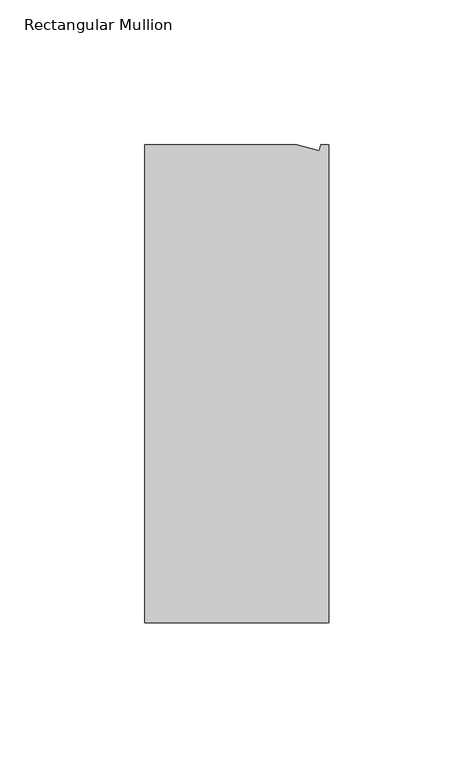
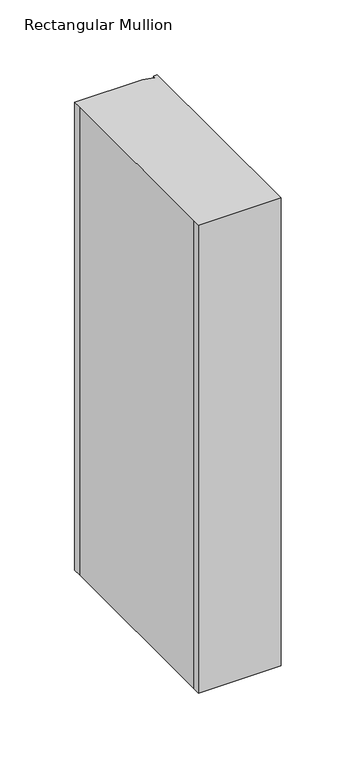
"""IFC4 building model written with IfcOpenShell, lengths in millimetres: member geometry, Rectangular Mullion."""

import ifcopenshell
import ifcopenshell.guid

model = None  # the IFC model being written
_history = None  # IfcOwnerHistory: only IFC2X3 demands one
_inside = {}  # id of a spatial element -> (the spatial element, [elements in it])
_under = {}  # id of a project, library or spatial element -> (it, [spatial elements below it])
_declared = {}  # id of a project -> (the project, [libraries it declares])
_typed = {}  # id of a type object -> (the type object, [elements of that type])
_made_of = {}  # id of a material, layer set ... -> (it, [elements and type objects made of it])


def new_model(schema):
    """Start an empty IFC model of exactly this schema.

    Asked for "IFC4X3", IfcOpenShell would pick the latest addendum, in which some entities
    have other attributes; the version numbers below select the first issue.
    IFC2X3 requires an IfcOwnerHistory on every rooted entity: one is made here for all.
    """
    global model, _history
    if schema == "IFC4X3":
        model = ifcopenshell.file(schema_version=(4, 3, 0, 0))
    else:
        model = ifcopenshell.file(schema=schema)
    _inside.clear()
    _under.clear()
    _declared.clear()
    _typed.clear()
    _made_of.clear()
    _history = None
    if model.schema == "IFC2X3":
        org = make("IfcOrganization", Name="unknown")
        user = make(
            "IfcPersonAndOrganization",
            ThePerson=make("IfcPerson", FamilyName="unknown"),
            TheOrganization=org,
        )
        app = make(
            "IfcApplication",
            ApplicationDeveloper=org,
            Version="unknown",
            ApplicationFullName="unknown",
            ApplicationIdentifier="unknown",
        )
        _history = make(
            "IfcOwnerHistory",
            OwningUser=user,
            OwningApplication=app,
            ChangeAction="ADDED",
            CreationDate=0,
        )
    return model


def make(cls, **values):
    """One entity of the class cls with the attributes given. An attribute that is None is left unset."""
    return model.create_entity(
        cls, **{name: value for name, value in values.items() if value is not None}
    )


def rooted(cls, **values):
    """An entity with a GlobalId (a new one), such as an element, a storey or a relation."""
    return make(cls, GlobalId=ifcopenshell.guid.new(), OwnerHistory=_history, **values)


def si_unit(unit_type, name, prefix=None):
    """IfcSIUnit, for example si_unit("LENGTHUNIT", "METRE", prefix="MILLI")."""
    return make("IfcSIUnit", UnitType=unit_type, Prefix=prefix, Name=name)


def assignment(units):
    """IfcUnitAssignment: the units of a project."""
    return None if units is None else make("IfcUnitAssignment", Units=units)


def point(xyz):
    """IfcCartesianPoint."""
    return None if xyz is None else make("IfcCartesianPoint", Coordinates=xyz)


def direction(xyz):
    """IfcDirection."""
    return None if xyz is None else make("IfcDirection", DirectionRatios=xyz)


def frame(location, z_axis=None, x_axis=None):
    """IfcAxis2Placement3D, a coordinate frame: its origin and axes. An axis left out is left unset."""
    return make(
        "IfcAxis2Placement3D",
        Location=point(location),
        Axis=direction(z_axis),
        RefDirection=direction(x_axis),
    )


def origin():
    """The frame at (0, 0, 0) with its axes left unset."""
    return frame((0.0, 0.0, 0.0))


def place(relative_to, where):
    """IfcLocalPlacement: puts the frame where relative to a parent placement (None: the world)."""
    return make(
        "IfcLocalPlacement", PlacementRelTo=relative_to, RelativePlacement=where
    )


def context(
    kind, dimensions, precision=None, world=None, true_north=None, identifier=None
):
    """IfcGeometricRepresentationContext, for example the 3D "Model" context."""
    return make(
        "IfcGeometricRepresentationContext",
        ContextIdentifier=identifier,
        ContextType=kind,
        CoordinateSpaceDimension=dimensions,
        Precision=precision,
        WorldCoordinateSystem=world,
        TrueNorth=true_north,
    )


def project(units=None, contexts=None):
    """IfcProject with its units and contexts."""
    return rooted(
        "IfcProject",
        Name="project",
        RepresentationContexts=contexts,
        UnitsInContext=assignment(units),
    )


def spatial(cls, under=None, at=None, **own):
    """A site, building, storey or space (cls), placed at a placement, below another one or the project."""
    s = rooted(cls, ObjectPlacement=at, **own)
    if under is not None:
        _under.setdefault(under.id(), (under, []))[1].append(s)
    return s


def polyline(points):
    """IfcPolyline through the points."""
    return make("IfcPolyline", Points=[point(p) for p in points])


def outline(outer, holes=None, kind="AREA"):
    """IfcArbitraryClosedProfileDef: a profile drawn as a closed curve; with holes, ...WithVoids."""
    if holes is None:
        return make("IfcArbitraryClosedProfileDef", ProfileType=kind, OuterCurve=outer)
    return make(
        "IfcArbitraryProfileDefWithVoids",
        ProfileType=kind,
        OuterCurve=outer,
        InnerCurves=holes,
    )


def extrude(swept, where, along, depth):
    """IfcExtrudedAreaSolid: the profile swept, set in the frame where, extruded along a direction by depth."""
    return make(
        "IfcExtrudedAreaSolid",
        SweptArea=swept,
        Position=where,
        ExtrudedDirection=direction(along),
        Depth=depth,
    )


def shape(context_of_items, identifier, shape_type, items):
    """IfcShapeRepresentation: the items that make up one representation, for example the "Body"."""
    return make(
        "IfcShapeRepresentation",
        ContextOfItems=context_of_items,
        RepresentationIdentifier=identifier,
        RepresentationType=shape_type,
        Items=items,
    )


def source(mapping_origin, context_of_items, identifier, shape_type, items):
    """IfcRepresentationMap: a shape defined once, which mapped items show again and again."""
    return make(
        "IfcRepresentationMap",
        MappingOrigin=mapping_origin,
        MappedRepresentation=shape(context_of_items, identifier, shape_type, items),
    )


def transform(
    local_origin,
    x_axis=None,
    y_axis=None,
    z_axis=None,
    scale=None,
    scale2=None,
    scale3=None,
    uniform=True,
):
    """IfcCartesianTransformationOperator3D, or its non-uniform kind. x_axis, y_axis, z_axis: its Axis1, 2, 3."""
    if uniform:
        return make(
            "IfcCartesianTransformationOperator3D",
            Axis1=direction(x_axis),
            Axis2=direction(y_axis),
            LocalOrigin=point(local_origin),
            Scale=scale,
            Axis3=direction(z_axis),
        )
    return make(
        "IfcCartesianTransformationOperator3DnonUniform",
        Axis1=direction(x_axis),
        Axis2=direction(y_axis),
        LocalOrigin=point(local_origin),
        Scale=scale,
        Axis3=direction(z_axis),
        Scale2=scale2,
        Scale3=scale3,
    )


def mapped(mapping_source, mapping_target):
    """IfcMappedItem: shows the shape of a source again, moved by a transform."""
    return make(
        "IfcMappedItem", MappingSource=mapping_source, MappingTarget=mapping_target
    )


def made_of(thing, what):
    """Note that an element or type object is made of a material, layer set ...; save() writes the relation."""
    if what is not None:
        _made_of.setdefault(what.id(), (what, []))[1].append(thing)
    return thing


def element(
    cls,
    number,
    at=None,
    inside=None,
    cuts=None,
    type_object=None,
    material=None,
    context=None,
    identifier="Body",
    shape_type=None,
    held_by="IfcProductDefinitionShape",
    body=None,
    shapes=None,
    **own,
):
    """One element of the class cls, such as IfcWall. Its Tag is "e" and its number.

    at: its placement. inside: the storey or other place that contains it. cuts: it is an
    opening in that element (IfcRelVoidsElement). A single representation is given by context,
    identifier, shape_type and body (its items); several are given by shapes. held_by: the class
    of the entity that holds the representations. save() writes the other relations.
    """
    e = rooted(cls, Tag="e%d" % number, ObjectPlacement=at, **own)
    if body is not None:
        shapes = [shape(context, identifier, shape_type, body)]
    if shapes is not None:
        e.Representation = make(held_by, Representations=shapes)
    if inside is not None:
        _inside.setdefault(inside.id(), (inside, []))[1].append(e)
    if cuts is not None:
        rooted(
            "IfcRelVoidsElement", RelatingBuildingElement=cuts, RelatedOpeningElement=e
        )
    if type_object is not None:
        _typed.setdefault(type_object.id(), (type_object, []))[1].append(e)
    return made_of(e, material)


def aggregate(whole, parts):
    """IfcRelAggregates: a whole, such as a stair, and the parts it consists of."""
    return rooted("IfcRelAggregates", RelatingObject=whole, RelatedObjects=parts)


def save(model, path):
    """Write the relations noted so far, then the file.

    IfcRelAggregates (storeys below a building ...), IfcRelContainedInSpatialStructure (elements
    in a storey), IfcRelDefinesByType, IfcRelAssociatesMaterial and IfcRelDeclares: one each for
    every whole, place, type object, material and project.
    """
    for whole, parts in _under.values():
        aggregate(whole, parts)
    for where, things in _inside.values():
        rooted(
            "IfcRelContainedInSpatialStructure",
            RelatedElements=things,
            RelatingStructure=where,
        )
    for kind, things in _typed.values():
        rooted("IfcRelDefinesByType", RelatedObjects=things, RelatingType=kind)
    for what, things in _made_of.values():
        rooted("IfcRelAssociatesMaterial", RelatedObjects=things, RelatingMaterial=what)
    for by, libraries in _declared.values():
        rooted("IfcRelDeclares", RelatingContext=by, RelatedDefinitions=libraries)
    model.write(path)


def rectangular_mullion_7d86994e(model_context):
    return source(origin(), model_context, "Body", "SweptSolid", [
        extrude(outline(polyline([(0.0, -132.5561012), (-63.5, -132.5561012), (-63.5, -126.2061012), (-63.5, 26.1938988), (-63.5, 32.5438988), (-11.1125, 32.5438988), (-3.3223696, 30.4565397), (-2.7630634, 32.5438988), (0.0, 32.5438988), (0.0, -132.5561012)])), frame((0.0, 0.0, -381.0), z_axis=(0.0, 0.0, 1.0), x_axis=(1.0, 0.0, 0.0)), (0.0, 0.0, 1.0), 381.0),
    ])


if __name__ == "__main__":
    model = new_model("IFC4")
    model_context = context("Model", 3, world=origin())
    ifc_project = project(units=[si_unit("LENGTHUNIT", "METRE", prefix="MILLI")], contexts=[model_context])
    site = spatial("IfcSite", under=ifc_project)
    building = spatial("IfcBuilding", under=site)
    placement = place(None, origin())
    rectangular_mullion_shape = rectangular_mullion_7d86994e(model_context)
    element("IfcMember", 1, ObjectType="Rectangular Mullion", at=placement, inside=building, context=model_context, shape_type="MappedRepresentation", body=[
        mapped(rectangular_mullion_shape, transform((0.0, 0.0, 0.0), x_axis=(1.0, 0.0, 0.0), y_axis=(0.0, 1.0, 0.0), z_axis=(0.0, 0.0, 1.0))),
    ])
    save(model, "model.ifc")
